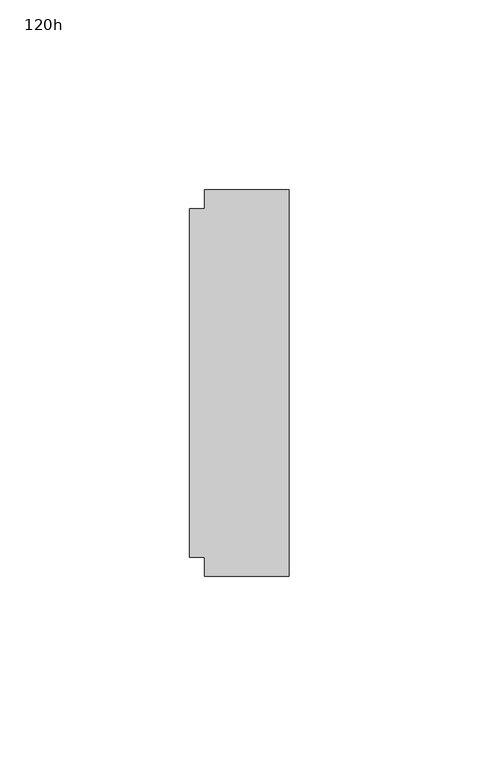
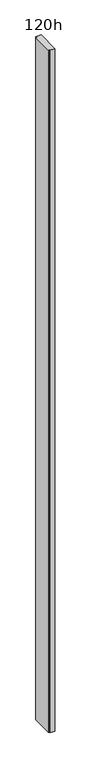
"""IFC4 building model written with IfcOpenShell, lengths in millimetres: furniture geometry, 120h."""

from ifc_helpers import new_model, si_unit, origin, origin_with_axes, place, context, project, spatial, polyline, outline, extrude, source, transform, mapped, element, save


def furniture_120h_51feeb14(model_context):
    return source(origin(), model_context, "Body", "SweptSolid", [
        extrude(outline(polyline([(29.9771531, -66.301805), (29.9771531, -61.348805), (26.0401531, -61.348805), (26.0401531, 30.345195), (29.9771531, 30.345195), (29.9771531, 35.298195), (52.2021531, 35.298195), (52.2021531, -66.301805), (29.9771531, -66.301805)])), origin_with_axes(), (0.0, 0.0, 1.0), 3048.0),
    ])


if __name__ == "__main__":
    model = new_model("IFC4")
    model_context = context("Model", 3, world=origin())
    ifc_project = project(units=[si_unit("LENGTHUNIT", "METRE", prefix="MILLI")], contexts=[model_context])
    site = spatial("IfcSite", under=ifc_project)
    building = spatial("IfcBuilding", under=site)
    placement = place(None, origin())
    furniture_120h_shape = furniture_120h_51feeb14(model_context)
    element("IfcFurniture", 1, ObjectType="120h", at=placement, inside=building, context=model_context, shape_type="MappedRepresentation", body=[
        mapped(furniture_120h_shape, transform((0.0, 0.0, 0.0), x_axis=(1.0, 0.0, 0.0), y_axis=(0.0, 1.0, 0.0), z_axis=(0.0, 0.0, 1.0))),
    ])
    save(model, "model.ifc")
